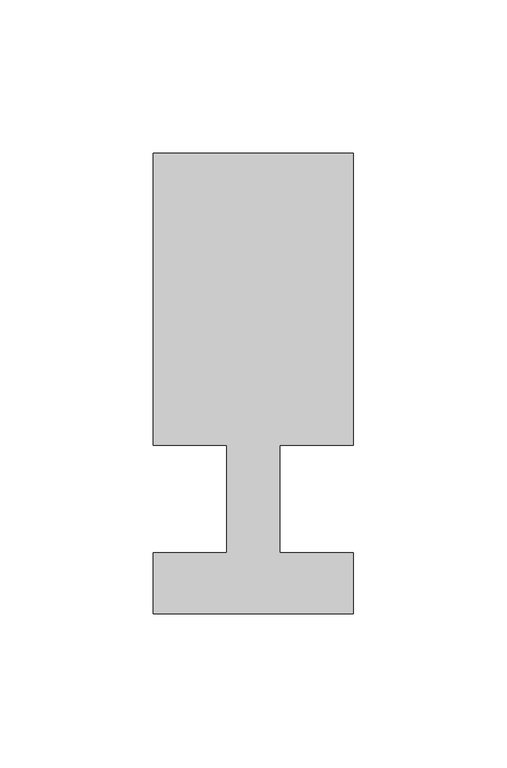
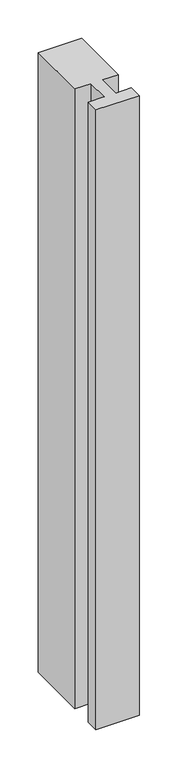
"""IFC4 building model written with IfcOpenShell, lengths in millimetres: member geometry."""

from ifc_helpers import new_model, si_unit, frame, origin, place, context, project, spatial, polyline, outline, extrude, source, transform, mapped, element, save


def member_c5bb7a01(model_context):
    return source(origin(), model_context, "Body", "SweptSolid", [
        extrude(outline(polyline([(0.0, -37.0), (-65.0, -37.0), (-65.0, -17.0), (-41.1875, -17.0), (-41.1875, 18.0), (-65.0, 18.0), (-65.0, 113.0), (0.0, 113.0), (0.0, 18.0), (-23.8125, 18.0), (-23.8125, -17.0), (0.0, -17.0), (0.0, -37.0)])), frame((0.0, 0.0, -985.8333333), z_axis=(0.0, 0.0, 1.0), x_axis=(1.0, 0.0, 0.0)), (0.0, 0.0, 1.0), 985.8333333),
    ])


if __name__ == "__main__":
    model = new_model("IFC4")
    model_context = context("Model", 3, world=origin())
    ifc_project = project(units=[si_unit("LENGTHUNIT", "METRE", prefix="MILLI")], contexts=[model_context])
    site = spatial("IfcSite", under=ifc_project)
    building = spatial("IfcBuilding", under=site)
    placement = place(None, origin())
    member_shape = member_c5bb7a01(model_context)
    element("IfcMember", 1, at=placement, inside=building, context=model_context, shape_type="MappedRepresentation", body=[
        mapped(member_shape, transform((0.0, 0.0, 0.0), x_axis=(1.0, 0.0, 0.0), y_axis=(0.0, 1.0, 0.0), z_axis=(0.0, 0.0, 1.0))),
    ])
    save(model, "model.ifc")
